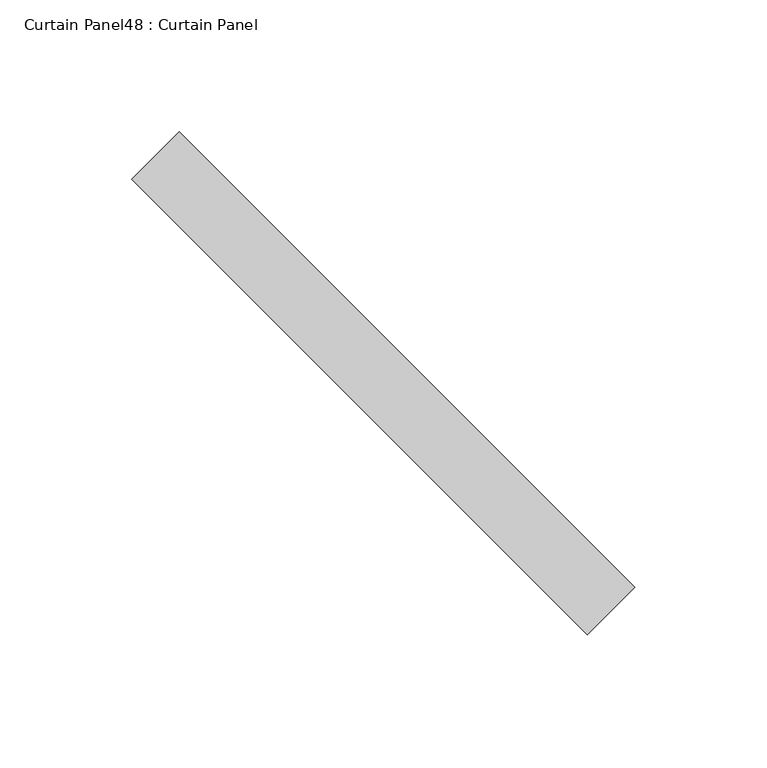
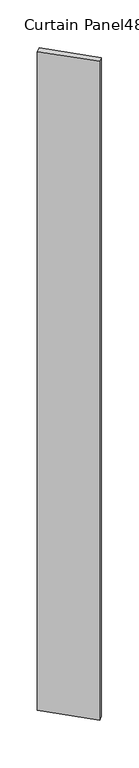
"""IFC4 building model written with IfcOpenShell, lengths in millimetres: plate geometry, Curtain Panel48 : Curtain Panel."""

from ifc_helpers import new_model, si_unit, origin, origin_with_axes, place, context, project, spatial, polyline, outline, extrude, source, transform, mapped, element, save


def curtain_panel48_curtain_panel_c7afe42e(model_context):
    return source(origin(), model_context, "Body", "SweptSolid", [
        extrude(outline(polyline([(-357367.876581, 3567.2984532), (-357195.1600845, 3394.5819567), (-357213.1205967, 3376.6214444), (-357385.8370932, 3549.337941), (-357367.876581, 3567.2984532)])), origin_with_axes(), (0.0, 0.0, 1.0), 3048.0),
    ])


if __name__ == "__main__":
    model = new_model("IFC4")
    model_context = context("Model", 3, world=origin())
    ifc_project = project(units=[si_unit("LENGTHUNIT", "METRE", prefix="MILLI")], contexts=[model_context])
    site = spatial("IfcSite", under=ifc_project)
    building = spatial("IfcBuilding", under=site)
    placement = place(None, origin())
    curtain_panel48_curtain_panel_shape = curtain_panel48_curtain_panel_c7afe42e(model_context)
    element("IfcPlate", 1, ObjectType="Curtain Panel48 : Curtain Panel", at=placement, inside=building, context=model_context, shape_type="MappedRepresentation", body=[
        mapped(curtain_panel48_curtain_panel_shape, transform((0.0, 0.0, 0.0), x_axis=(1.0, 0.0, 0.0), y_axis=(0.0, 1.0, 0.0), z_axis=(0.0, 0.0, 1.0))),
    ])
    save(model, "model.ifc")
